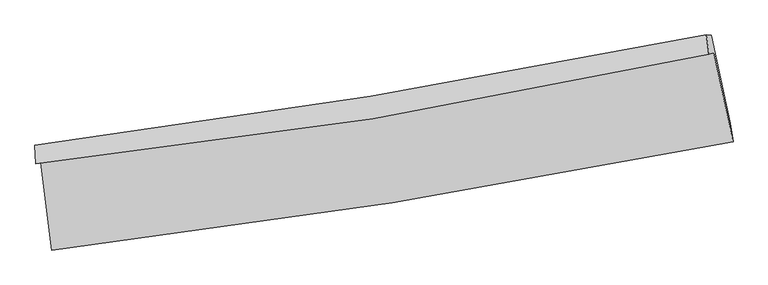
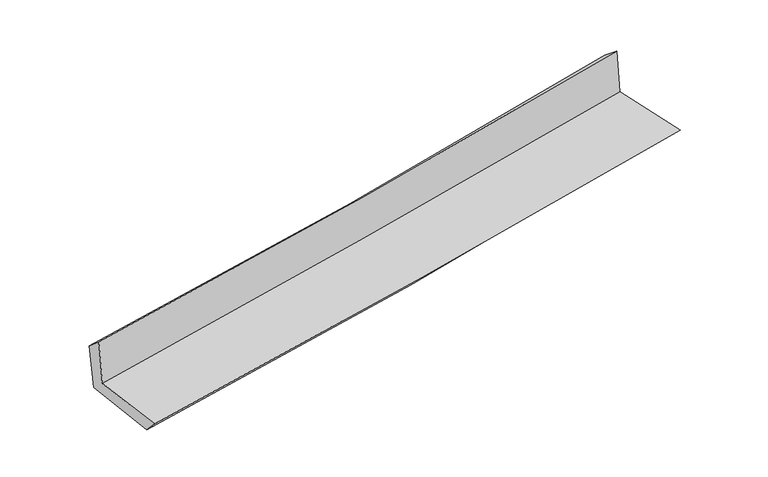
"""IFC4 building model written with IfcOpenShell, lengths in millimetres: proxy geometry."""

from ifc_helpers import new_model, si_unit, frame, origin, place, context, project, spatial, source, transform, mapped, element, save
from ifc_brep_helpers import plane_surface, spline_curve, spline_surface, advanced_brep


def generic_models_4b2c8212(model_context):
    return source(origin(), model_context, "Body", "AdvancedBrep", [
        advanced_brep(
        [(-2528.5102568, -1885.6614565, 1658.1198243), (-2446.8361075, -2535.913716, 1648.0725259), (2617.2538695, -1733.1490167, 2109.4240033), (2473.8098574, -1069.0667797, 2114.204255), (-2565.5282009, -1896.5761643, 2063.5924347), (2437.6077109, -1079.7409503, 2510.7411025), (-2571.4153881, -1759.170608, 1945.5573352), (2418.682015, -937.495208, 2390.2315209), (-2533.5324882, -1760.740309, 1547.3215768), (2455.1866873, -938.7961541, 2017.1341247), (-2449.3497348, -2421.9062413, 1525.0828718), (2597.7225673, -1593.24588, 2000.3467338)],
        [
            (0, 1),
            (1, 2, spline_curve(3, [(-2446.8361075, -2535.913716, 1648.0725259), (-1601.073016185, -2436.248293318, 1742.377887022), (-757.076473999, -2319.696539755, 1827.913537153), (930.968589751, -2052.25237074, 1981.772181114), (1775.002039651, -1901.215891639, 2050.020356691), (2617.2538695, -1733.1490167, 2109.4240033)], [4, 2, 4], [0.0, 8.380991254313269, 16.797657447602788])),
            (2, 3),
            (3, 0, spline_curve(3, [(2473.8098574, -1069.0667797, 2114.204255), (1641.736278693, -1236.55864568, 2055.745318291), (807.950521818, -1388.465629814, 1988.409281286), (-859.50399975, -1660.532019188, 1836.30604404), (-1693.158281177, -1780.823260593, 1751.613937596), (-2528.5102568, -1885.6614565, 1658.1198243)], [4, 2, 4], [0.0, 8.416666193289519, 16.797657447602788])),
            (4, 0),
            (3, 5),
            (5, 4, spline_curve(3, [(2437.6077109, -1079.7409503, 2510.7411025), (1608.051817524, -1264.909075447, 2457.234863451), (775.453957819, -1425.655548954, 2393.117729457), (-892.283745529, -1697.727364923, 2243.978413081), (-1727.397856509, -1809.259295975, 2159.045991471), (-2565.5282009, -1896.5761643, 2063.5924347)], [4, 2, 4], [0.0, 8.36929924763439, 16.703124326152818])),
            (6, 4),
            (5, 7),
            (7, 6, spline_curve(3, [(2418.682015, -937.495208, 2390.2315209), (1590.163592007, -1104.978001157, 2317.449853654), (759.17452832, -1257.305652613, 2243.922557564), (-904.212172708, -1531.069251448, 2095.691521764), (-1736.588909802, -1652.633400159, 2020.994089045), (-2571.4153881, -1759.170608, 1945.5573352)], [4, 2, 4], [0.0, 8.358798170451262, 16.68216668172424])),
            (8, 6),
            (7, 9),
            (9, 8, spline_curve(3, [(2455.1866873, -938.7961541, 2017.1341247), (1627.403810418, -1106.348715245, 1935.048088668), (796.897079105, -1258.733667985, 1854.774717485), (-866.03235424, -1532.586746638, 1698.185868802), (-1698.43201495, -1654.183178587, 1621.855057359), (-2533.5324882, -1760.740309, 1547.3215768)], [4, 2, 4], [0.0, 8.348137121934009, 16.660889772683])),
            (10, 8),
            (9, 11),
            (11, 10, spline_curve(3, [(2597.7225673, -1593.24588, 2000.3467338), (1759.467241904, -1757.954933565, 1917.471870468), (918.851969686, -1909.483215814, 1836.348715208), (-763.525427749, -2185.591836679, 1677.94224615), (-1605.267589485, -2310.283675011, 1600.644113782), (-2449.3497348, -2421.9062413, 1525.0828718)], [4, 2, 4], [0.0, 8.39719084517406, 16.75878929971579])),
            (1, 10),
            (11, 2),
        ],
        [
            spline_surface(3, 3, [[(-2528.5102568, -1885.6614565, 1658.1198243), (-1693.158281274, -1780.82326049, 1751.613937532), (-859.503999873, -1660.532019111, 1836.306044076), (807.950521941, -1388.465629892, 1988.40928125), (1641.736278586, -1236.558645666, 2055.745318243), (2473.8098574, -1069.0667797, 2114.204255)], [(-2501.285540351, -2102.412209664, 1654.770724847), (-1662.463192864, -1999.298271443, 1748.53525404), (-825.361491197, -1880.253525937, 1833.508541776), (848.956544513, -1609.727876865, 1986.196914516), (1686.158198981, -1458.111060927, 2053.836997723), (2521.624528109, -1290.427525347, 2112.610837771)], [(-2474.060823949, -2319.162962836, 1651.421625353), (-1631.768104502, -2217.773282403, 1745.456570506), (-791.218982552, -2099.97503281, 1830.711039498), (889.962567056, -1830.990123885, 1983.984547803), (1730.580119347, -1679.663476246, 2051.92867719), (2569.439198791, -1511.788271053, 2111.017420529)], [(-2446.8361075, -2535.913716, 1648.0725259), (-1601.073016091, -2436.248293356, 1742.377887013), (-757.076473877, -2319.696539636, 1827.913537198), (930.968589628, -2052.252370859, 1981.772181068), (1775.002039742, -1901.215891508, 2050.020356671), (2617.2538695, -1733.1490167, 2109.4240033)]], [4, 4], [4, 2, 4], [0.0, 2.2016750180171387], [0.0, 8.380991254313269, 16.797657447602788]),
            spline_surface(3, 3, [[(-2565.5282009, -1896.5761643, 2063.5924347), (-1727.397856423, -1809.259296088, 2159.045991478), (-892.283745529, -1697.727364865, 2243.978413205), (775.45395782, -1425.655549012, 2393.117729333), (1608.051817522, -1264.909075556, 2457.234863537), (2437.6077109, -1079.7409503, 2510.7411025)], [(-2553.188886208, -1892.937928378, 1928.434897885), (-1715.984664715, -1799.780617567, 2023.235306815), (-881.357163656, -1685.328916303, 2108.087623472), (786.286145848, -1413.258909328, 2258.214913282), (1619.27997121, -1255.458932266, 2323.405015104), (2449.675093066, -1076.18289344, 2378.562153332)], [(-2540.849571492, -1889.299692422, 1793.277361115), (-1704.571472982, -1790.301939011, 1887.424622196), (-870.430581746, -1672.930467673, 1972.196833809), (797.118333912, -1400.862269576, 2123.312097301), (1630.508124899, -1246.008788955, 2189.575166675), (2461.742475234, -1072.62483656, 2246.383204168)], [(-2528.5102568, -1885.6614565, 1658.1198243), (-1693.158281274, -1780.82326049, 1751.613937532), (-859.503999873, -1660.532019111, 1836.306044076), (807.950521941, -1388.465629892, 1988.40928125), (1641.736278586, -1236.558645666, 2055.745318243), (2473.8098574, -1069.0667797, 2114.204255)]], [4, 4], [4, 2, 4], [0.0, 1.3424770649028852], [0.0, 8.333825078518428, 16.703124326152818]),
            spline_surface(3, 3, [[(-2571.4153881, -1759.170608, 1945.5573352), (-1736.588909867, -1652.633400091, 2020.994089091), (-904.212172597, -1531.069251486, 2095.691521644), (759.174528209, -1257.305652575, 2243.922557684), (1590.163591952, -1104.978001205, 2317.44985367), (2418.682015, -937.495208, 2390.2315209)], [(-2569.452992369, -1804.972460088, 1984.902368382), (-1733.525225387, -1704.842032078, 2067.011389902), (-900.236030255, -1586.621955926, 2145.120485527), (764.601004732, -1313.422284701, 2293.654281596), (1596.126333798, -1158.288359329, 2364.044856962), (2424.99058029, -984.91045544, 2430.401381437)], [(-2567.490596631, -1850.774312212, 2024.247401518), (-1730.461540903, -1757.050664102, 2113.028690667), (-896.259887871, -1642.174660425, 2194.549449322), (770.027481297, -1369.538916886, 2343.386005421), (1602.089075676, -1211.598717432, 2410.639860244), (2431.29914561, -1032.32570286, 2470.571241963)], [(-2565.5282009, -1896.5761643, 2063.5924347), (-1727.397856423, -1809.259296088, 2159.045991478), (-892.283745529, -1697.727364865, 2243.978413205), (775.45395782, -1425.655549012, 2393.117729333), (1608.051817522, -1264.909075556, 2457.234863537), (2437.6077109, -1079.7409503, 2510.7411025)]], [4, 4], [4, 2, 4], [0.0, 0.7364178493817681], [0.0, 8.323368511272978, 16.68216668172424]),
            spline_surface(3, 3, [[(-2533.5324882, -1760.740309, 1547.3215768), (-1698.432015067, -1654.183178645, 1621.855057271), (-866.032354368, -1532.586746519, 1698.185868726), (796.897079234, -1258.733668105, 1854.774717562), (1627.403810346, -1106.348715278, 1935.048088774), (2455.1866873, -938.7961541, 2017.1341247)], [(-2546.160121496, -1760.217075332, 1680.06682958), (-1711.150979996, -1653.666585792, 1754.901401191), (-878.758960442, -1532.080914863, 1830.687753013), (784.322895561, -1258.25766295, 1984.49066425), (1614.990404218, -1105.89181058, 2062.515343749), (2443.018463203, -938.362505393, 2141.499923443)], [(-2558.787754804, -1759.693841668, 1812.81208242), (-1723.869944938, -1653.149992943, 1887.947745171), (-891.485566523, -1531.575083142, 1963.189637357), (771.748711882, -1257.78165773, 2114.206610996), (1602.57699808, -1105.434905903, 2189.982598694), (2430.850239097, -937.928856707, 2265.865722157)], [(-2571.4153881, -1759.170608, 1945.5573352), (-1736.588909867, -1652.633400091, 2020.994089091), (-904.212172597, -1531.069251486, 2095.691521644), (759.174528209, -1257.305652575, 2243.922557684), (1590.163591952, -1104.978001205, 2317.44985367), (2418.682015, -937.495208, 2390.2315209)]], [4, 4], [4, 2, 4], [0.0, 1.2963857065296323], [0.0, 8.31275265074899, 16.660889772683]),
            spline_surface(3, 3, [[(-2449.3497348, -2421.9062413, 1525.0828718), (-1605.267589524, -2310.283674995, 1600.644113851), (-763.525427734, -2185.591836764, 1677.942246084), (918.851969671, -1909.483215729, 1836.348715274), (1759.467241921, -1757.954933554, 1917.471870391), (2597.7225673, -1593.24588, 2000.3467338)], [(-2477.410652595, -2201.517597197, 1532.495773489), (-1636.322398033, -2091.583509542, 1607.714428347), (-797.694403278, -1967.923473326, 1684.690120309), (878.200339526, -1692.566699832, 1842.490716048), (1715.446098082, -1540.752860799, 1923.330609865), (2550.21060732, -1375.09597137, 2005.942530781)], [(-2505.471570405, -1981.128953103, 1539.908675111), (-1667.377206558, -1872.883344098, 1614.784742775), (-831.863378824, -1750.255109957, 1691.4379945), (837.548709379, -1475.650184003, 1848.632716788), (1671.424954185, -1323.550788033, 1929.189349299), (2502.69864728, -1156.94606273, 2011.538327719)], [(-2533.5324882, -1760.740309, 1547.3215768), (-1698.432015067, -1654.183178645, 1621.855057271), (-866.032354368, -1532.586746519, 1698.185868726), (796.897079234, -1258.733668105, 1854.774717562), (1627.403810346, -1106.348715278, 1935.048088774), (2455.1866873, -938.7961541, 2017.1341247)]], [4, 4], [4, 2, 4], [0.0, 2.1711044829443074], [0.0, 8.36159845454173, 16.75878929971579]),
            spline_surface(3, 3, [[(-2446.8361075, -2535.913716, 1648.0725259), (-1601.073016091, -2436.248293356, 1742.377887013), (-757.076473877, -2319.696539636, 1827.913537198), (930.968589628, -2052.252370859, 1981.772181068), (1775.002039742, -1901.215891508, 2050.020356671), (2617.2538695, -1733.1490167, 2109.4240033)], [(-2447.673983282, -2497.911224441, 1607.075974516), (-1602.471207251, -2394.260087243, 1695.133295942), (-759.226125149, -2274.994972025, 1777.923106836), (926.929716322, -2004.662652496, 1933.297692479), (1769.82377378, -1853.462238865, 2005.83752788), (2610.743435412, -1686.514637809, 2073.064913436)], [(-2448.511859018, -2459.908732859, 1566.079423184), (-1603.869398364, -2352.271881108, 1647.888704923), (-761.375776462, -2230.293404374, 1727.932676446), (922.890842977, -1957.072934092, 1884.823203863), (1764.645507883, -1805.708586197, 1961.654699182), (2604.233001388, -1639.880258891, 2036.705823664)], [(-2449.3497348, -2421.9062413, 1525.0828718), (-1605.267589524, -2310.283674995, 1600.644113851), (-763.525427734, -2185.591836764, 1677.942246084), (918.851969671, -1909.483215729, 1836.348715274), (1759.467241921, -1757.954933554, 1917.471870391), (2597.7225673, -1593.24588, 2000.3467338)]], [4, 4], [4, 2, 4], [0.0, 0.6648691337223256], [0.0, 8.419297539858723, 16.87443307511003]),
            plane_surface(frame((2500.0437846, -1225.2489981, 2190.3469567), z_axis=(0.9732237827028709, 0.20953945480369277, 0.09449172271731703), x_axis=(-0.09737662904007506, 0.0034702885921376685, 0.9952415531989603))),
            plane_surface(frame((-2515.8620294, -2043.3280825, 1731.2910948), z_axis=(-0.9880345509838461, -0.12265610233682547, -0.09350511548406343), x_axis=(-0.12460993737016048, 0.9920873859922186, 0.015329124689020385))),
        ],
        [
            (0, [[1, 2, 3, 4]]),
            (1, [[5, -4, 6, 7]]),
            (2, [[8, -7, 9, 10]]),
            (3, [[11, -10, 12, 13]]),
            (4, [[14, -13, 15, 16]]),
            (5, [[17, -16, 18, -2]]),
            (6, [[-12, -9, -6, -3, -18, -15]]),
            (7, [[-1, -5, -8, -11, -14, -17]]),
        ],
    ),
    ])


if __name__ == "__main__":
    model = new_model("IFC4")
    model_context = context("Model", 3, world=origin())
    ifc_project = project(units=[si_unit("LENGTHUNIT", "METRE", prefix="MILLI")], contexts=[model_context])
    site = spatial("IfcSite", under=ifc_project)
    building = spatial("IfcBuilding", under=site)
    placement = place(None, origin())
    generic_models_shape = generic_models_4b2c8212(model_context)
    element("IfcBuildingElementProxy", 1, Name="Generic Models", at=placement, inside=building, context=model_context, shape_type="MappedRepresentation", body=[
        mapped(generic_models_shape, transform((0.0, 0.0, 0.0), x_axis=(1.0, 0.0, 0.0), y_axis=(0.0, 1.0, 0.0), z_axis=(0.0, 0.0, 1.0))),
    ])
    save(model, "model.ifc")
